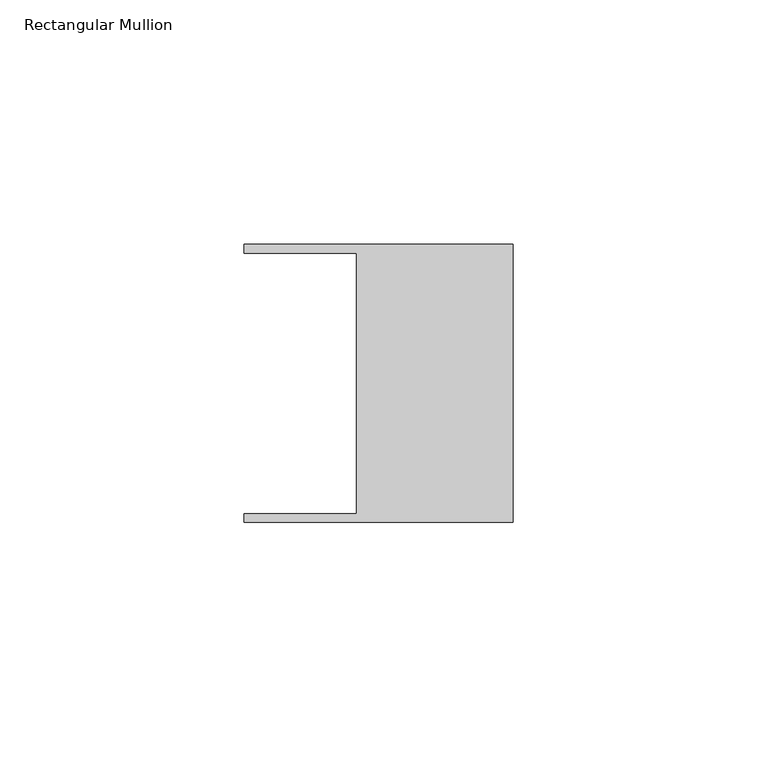
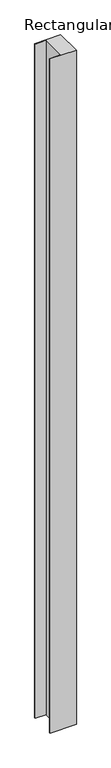
"""IFC4 building model written with IfcOpenShell, lengths in millimetres: member geometry, Rectangular Mullion."""

from ifc_helpers import new_model, si_unit, frame, origin, place, context, project, spatial, polyline, outline, extrude, source, transform, mapped, element, save


def rectangular_mullion_6254161f(model_context):
    return source(origin(), model_context, "Body", "SweptSolid", [
        extrude(outline(polyline([(-32.004, -26.67), (-32.004, 26.67), (-54.991, 26.67), (-54.991, 28.448), (0.0, 28.448), (0.0, -28.448), (-54.991, -28.448), (-54.991, -26.67), (-32.004, -26.67)])), frame((0.0, 0.0, -1504.9492331), z_axis=(0.0, 0.0, 1.0), x_axis=(1.0, 0.0, 0.0)), (0.0, 0.0, 1.0), 1504.9492331),
    ])


if __name__ == "__main__":
    model = new_model("IFC4")
    model_context = context("Model", 3, world=origin())
    ifc_project = project(units=[si_unit("LENGTHUNIT", "METRE", prefix="MILLI")], contexts=[model_context])
    site = spatial("IfcSite", under=ifc_project)
    building = spatial("IfcBuilding", under=site)
    placement = place(None, origin())
    rectangular_mullion_shape = rectangular_mullion_6254161f(model_context)
    element("IfcMember", 1, ObjectType="Rectangular Mullion", at=placement, inside=building, context=model_context, shape_type="MappedRepresentation", body=[
        mapped(rectangular_mullion_shape, transform((0.0, 0.0, 0.0), x_axis=(1.0, 0.0, 0.0), y_axis=(0.0, 1.0, 0.0), z_axis=(0.0, 0.0, 1.0))),
    ])
    save(model, "model.ifc")
